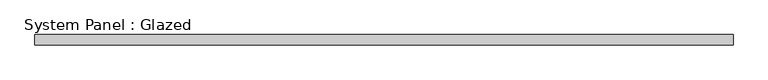
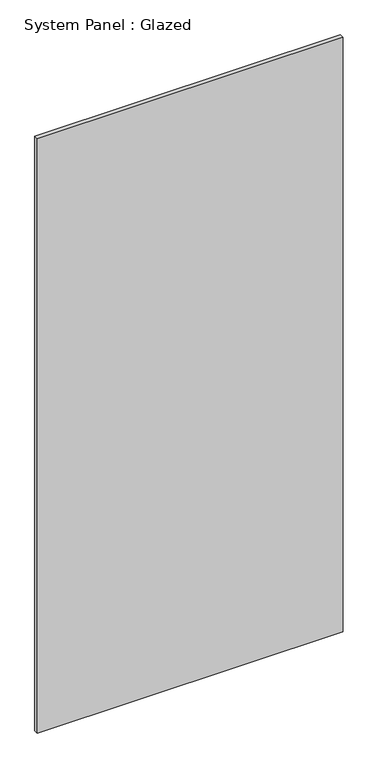
"""IFC4 building model written with IfcOpenShell, lengths in millimetres: plate geometry, System Panel : Glazed."""

from ifc_helpers import new_model, si_unit, origin, origin_with_axes, place, context, project, spatial, polyline, outline, extrude, source, transform, mapped, element, save


def system_panel_glazed_6d5b9853(model_context):
    return source(origin(), model_context, "Body", "SweptSolid", [
        extrude(outline(polyline([(866.775, 19.05), (-866.775, 19.05), (-866.775, 44.45), (866.775, 44.45), (866.775, 19.05)])), origin_with_axes(), (0.0, 0.0, 1.0), 3562.35),
    ])


if __name__ == "__main__":
    model = new_model("IFC4")
    model_context = context("Model", 3, world=origin())
    ifc_project = project(units=[si_unit("LENGTHUNIT", "METRE", prefix="MILLI")], contexts=[model_context])
    site = spatial("IfcSite", under=ifc_project)
    building = spatial("IfcBuilding", under=site)
    placement = place(None, origin())
    system_panel_glazed_shape = system_panel_glazed_6d5b9853(model_context)
    element("IfcPlate", 1, ObjectType="System Panel : Glazed", at=placement, inside=building, context=model_context, shape_type="MappedRepresentation", body=[
        mapped(system_panel_glazed_shape, transform((0.0, 0.0, 0.0), x_axis=(1.0, 0.0, 0.0), y_axis=(0.0, 1.0, 0.0), z_axis=(0.0, 0.0, 1.0))),
    ])
    save(model, "model.ifc")
